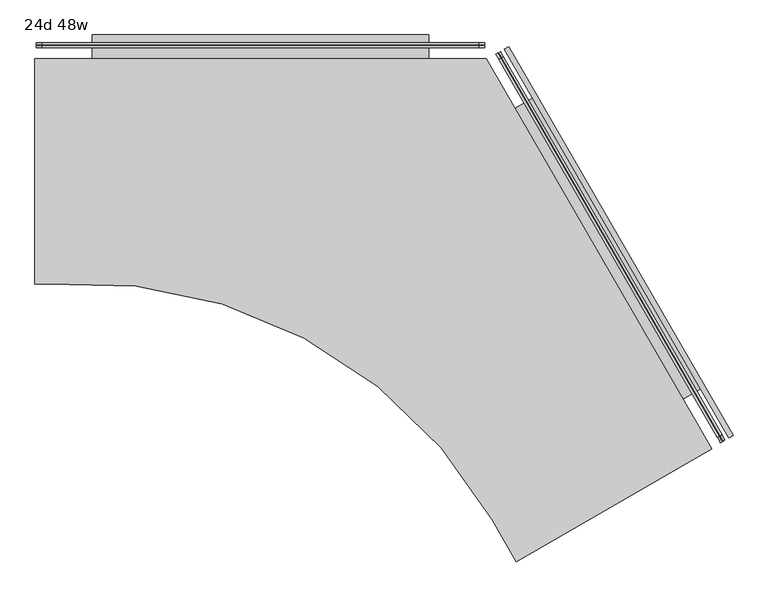
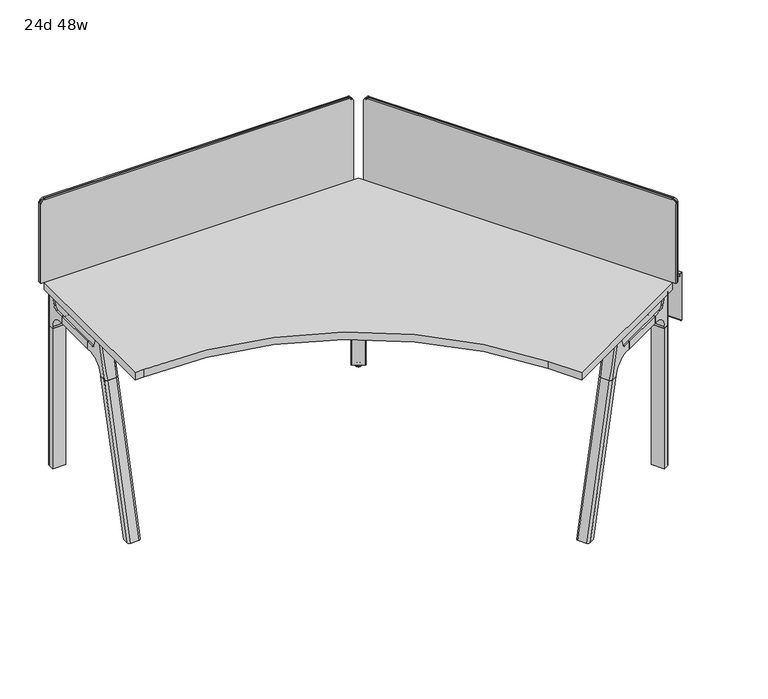
"""IFC4 building model written with IfcOpenShell, lengths in millimetres: furniture geometry, 24d 48w."""

from ifc_helpers import new_model, si_unit, point, frame, frame_2d, origin, place, context, project, spatial, polyline, circle_curve, ellipse_curve, trimmed, segment, composite_curve, outline, extrude, source, transform, mapped, element, save
from ifc_brep_helpers import plane_surface, cylinder_surface, revolved_surface, advanced_brep


def furniture_24d_48w_f4648a2b(model_context):
    return source(origin(), model_context, "Body", "SolidModel", [
        extrude(outline(composite_curve([segment(polyline([(4524.070945, -1483.2285725), (3996.1418588, -1788.0285725), (3930.9307656, -1675.0796459)]), True, "CONTINUOUS"), segment(trimmed(circle_curve(frame_2d((2820.0799802, -2316.4296459)), 1282.7), [point((3930.9307656, -1675.0796459))], [point((2728.9573776, -1036.9704002))], True, "CARTESIAN"), True, "CONTINUOUS"), segment(polyline([(2728.9573776, -1036.9704002), (2695.270945, -1036.9704002), (2695.270945, -427.3704002), (3914.470945, -427.3704002), (4524.070945, -1483.2285725)]), True, "CONTINUOUS")], self_intersect=False)), frame((0.0, 0.0, 711.2), z_axis=(0.0, 0.0, 1.0), x_axis=(1.0, 0.0, 0.0)), (0.0, 0.0, 1.0), 30.1625),
        advanced_brep(
        [(3900.1963967, -460.0945908, 35.0000007), (3893.2682387, -456.0946169, 35.0000007), (3896.7323177, -458.0946039, 35.0000007), (3900.1963967, -460.0945908, 5.0000003), (3893.2682387, -456.0946169, 5.0000003), (3905.5711745, -463.1977202, 5.0000003), (3887.893461, -452.9914875, 5.0000003), (3906.2585821, -463.5945952, 4.2062503), (3887.2060533, -452.5946125, 4.2062503), (3906.2585821, -463.5945952, 0.79375), (3887.2060533, -452.5946125, 0.79375), (3905.5711745, -463.1977202, 0.0), (3887.893461, -452.9914875, 0.0), (3896.7323177, -458.0946039, 0.0)],
        [
            (0, 1, circle_curve(frame((3896.7323177, -458.0946039, 35.0000007), z_axis=(0.0, 0.0, 1.0), x_axis=(-0.8660254037844346, 0.5000000000000068, 0.0)), 3.9999739)),
            (1, 2),
            (2, 0),
            (1, 0, circle_curve(frame((3896.7323177, -458.0946039, 35.0000007), z_axis=(0.0, 0.0, 1.0), x_axis=(-0.8660254037844346, 0.5000000000000068, 0.0)), 3.9999739)),
            (3, 4, circle_curve(frame((3896.7323177, -458.0946039, 5.0000003), z_axis=(0.0, 0.0, 1.0), x_axis=(-0.8660254037844346, 0.5000000000000068, 0.0)), 3.9999739)),
            (4, 1),
            (0, 3),
            (4, 3, circle_curve(frame((3896.7323177, -458.0946039, 5.0000003), z_axis=(0.0, 0.0, 1.0), x_axis=(-0.8660254037844346, 0.5000000000000068, 0.0)), 3.9999739)),
            (5, 6, circle_curve(frame((3896.7323177, -458.0946039, 5.0000003), z_axis=(0.0, 0.0, 1.0), x_axis=(-0.8660254037844346, 0.5000000000000068, 0.0)), 10.2062326)),
            (6, 4),
            (3, 5),
            (6, 5, circle_curve(frame((3896.7323177, -458.0946039, 5.0000003), z_axis=(0.0, 0.0, 1.0), x_axis=(-0.8660254037844346, 0.5000000000000068, 0.0)), 10.2062326)),
            (7, 8, circle_curve(frame((3896.7323177, -458.0946039, 4.2062503), z_axis=(0.0, 0.0, 1.0), x_axis=(-0.8660254037844346, 0.5000000000000068, 0.0)), 10.9999826)),
            (8, 6, circle_curve(frame((3887.893461, -452.9914875, 4.2062503), z_axis=(0.5000000000000068, 0.8660254037844346, 0.0), x_axis=(0.0, 0.0, -1.0)), 0.79375)),
            (5, 7, circle_curve(frame((3905.5711745, -463.1977202, 4.2062503), z_axis=(0.500000000000004, 0.8660254037844363, 0.0), x_axis=(0.0, 0.0, -1.0)), 0.79375)),
            (8, 7, circle_curve(frame((3896.7323177, -458.0946039, 4.2062503), z_axis=(0.0, 0.0, 1.0), x_axis=(-0.8660254037844346, 0.5000000000000068, 0.0)), 10.9999826)),
            (9, 10, circle_curve(frame((3896.7323177, -458.0946039, 0.79375), z_axis=(0.0, 0.0, 1.0), x_axis=(-0.8660254037844346, 0.5000000000000068, 0.0)), 10.9999826)),
            (10, 8),
            (7, 9),
            (10, 9, circle_curve(frame((3896.7323177, -458.0946039, 0.79375), z_axis=(0.0, 0.0, 1.0), x_axis=(-0.8660254037844346, 0.5000000000000068, 0.0)), 10.9999826)),
            (11, 12, circle_curve(frame((3896.7323177, -458.0946039, 0.0), z_axis=(0.0, 0.0, 1.0), x_axis=(-0.8660254037844346, 0.5000000000000068, 0.0)), 10.2062326)),
            (12, 10, circle_curve(frame((3887.893461, -452.9914875, 0.79375), z_axis=(0.5000000000000068, 0.8660254037844346, 0.0), x_axis=(0.0, 0.0, -1.0)), 0.79375)),
            (9, 11, circle_curve(frame((3905.5711745, -463.1977202, 0.79375), z_axis=(0.500000000000004, 0.8660254037844363, 0.0), x_axis=(0.0, 0.0, -1.0)), 0.79375)),
            (12, 11, circle_curve(frame((3896.7323177, -458.0946039, 0.0), z_axis=(0.0, 0.0, 1.0), x_axis=(-0.8660254037844346, 0.5000000000000068, 0.0)), 10.2062326)),
            (13, 12),
            (11, 13),
        ],
        [
            plane_surface(frame((3896.7323177, -458.0946039, 35.0000007), z_axis=(0.0, 0.0, 1.0), x_axis=(-0.8660254037844347, 0.5000000000000069, 0.0))),
            cylinder_surface(frame((3896.7323177, -458.0946039, 52.3860264), z_axis=(0.0, 0.0, -1.0), x_axis=(-0.8660254037844346, 0.5000000000000068, 0.0)), 3.9999739),
            plane_surface(frame((3896.7323177, -458.0946039, 5.0000003), z_axis=(0.0, 0.0, 1.0), x_axis=(-0.8660254037844347, 0.5000000000000069, 0.0))),
            revolved_surface(trimmed(ellipse_curve(frame((3887.893461, -452.9914875, 4.2062503), z_axis=(-0.5000000000000068, -0.8660254037844346, 0.0), x_axis=(0.0, 0.0, -1.0)), 0.79375, 0.79375), [point((3887.893461, -452.9914875, 5.0000003))], [point((3887.2060533, -452.5946125, 4.2062503))], True, "CARTESIAN"), (3896.7323177, -458.0946039, 52.3860264), (0.0, 0.0, -1.0)),
            cylinder_surface(frame((3896.7323177, -458.0946039, 52.3860264), z_axis=(0.0, 0.0, -1.0), x_axis=(-0.8660254037844346, 0.5000000000000068, 0.0)), 10.9999826),
            revolved_surface(trimmed(ellipse_curve(frame((3887.893461, -452.9914875, 0.79375), z_axis=(-0.5000000000000068, -0.8660254037844346, 0.0), x_axis=(0.0, 0.0, -1.0)), 0.79375, 0.79375), [point((3887.2060533, -452.5946125, 0.79375))], [point((3887.893461, -452.9914875, 0.0))], True, "CARTESIAN"), (3896.7323177, -458.0946039, 52.3860264), (0.0, 0.0, -1.0)),
            plane_surface(frame((3896.7323177, -458.0946039, 0.0), z_axis=(0.0, 0.0, -1.0), x_axis=(-0.8660254037844347, 0.5000000000000069, 0.0))),
        ],
        [
            (0, [[1, 2, 3]]),
            (0, [[4, -3, -2]]),
            (1, [[5, 6, -1, 7]]),
            (1, [[8, -7, -4, -6]]),
            (2, [[9, 10, -5, 11]]),
            (2, [[12, -11, -8, -10]]),
            (3, [[13, 14, -9, 15]]),
            (3, [[16, -15, -12, -14]]),
            (4, [[17, 18, -13, 19]]),
            (4, [[20, -19, -16, -18]]),
            (5, [[21, 22, -17, 23]]),
            (5, [[24, -23, -20, -22]]),
            (6, [[25, -21, 26]]),
            (6, [[-26, -24, -25]]),
        ],
    ),
        extrude(outline(composite_curve([segment(trimmed(circle_curve(frame_2d((3910.3539816, -481.5552641)), 1.4920026), [point((3911.6460938, -482.3012654))], [point((3909.6079803, -482.8473763))], False, "CARTESIAN"), True, "CONTINUOUS"), segment(polyline([(3909.6079803, -482.8473763), (3868.8579567, -459.3203392)]), True, "CONTINUOUS"), segment(trimmed(circle_curve(frame_2d((3869.603958, -458.028227)), 1.4920026), [point((3868.8579567, -459.3203392))], [point((3868.3118459, -457.2822257))], False, "CARTESIAN"), True, "CONTINUOUS"), segment(polyline([(3868.3118459, -457.2822257), (3877.7172574, -440.9915751)]), True, "CONTINUOUS"), segment(trimmed(circle_curve(frame_2d((3886.3098532, -445.9525126)), 9.921875), [point((3877.7172574, -440.9915751))], [point((3891.2707907, -437.3599168))], False, "CARTESIAN"), True, "CONTINUOUS"), segment(polyline([(3891.2707907, -437.3599168), (3917.419847, -452.4570815)]), True, "CONTINUOUS"), segment(trimmed(circle_curve(frame_2d((3912.4589095, -461.0496773)), 9.921875), [point((3917.419847, -452.4570815))], [point((3921.0515053, -466.0106148))], False, "CARTESIAN"), True, "CONTINUOUS"), segment(polyline([(3921.0515053, -466.0106148), (3911.6460938, -482.3012654)]), True, "CONTINUOUS")], self_intersect=False)), frame((0.0, 0.0, 10.7173168), z_axis=(0.0, 0.0, 1.0), x_axis=(1.0, 0.0, 0.0)), (0.0, 0.0, 1.0), 700.4826832),
        extrude(outline(composite_curve([segment(trimmed(circle_curve(frame_2d((0.0, -15.875)), 15.875), [point((0.0, -31.75))], [point((-15.875, -15.875))], False, "CARTESIAN"), True, "CONTINUOUS"), segment(polyline([(-15.875, -15.875), (-15.875, 302.41875), (1190.625, 302.41875), (1190.625, -15.875)]), True, "CONTINUOUS"), segment(trimmed(circle_curve(frame_2d((1174.75, -15.875)), 15.875), [point((1190.625, -15.875))], [point((1174.75, -31.75))], False, "CARTESIAN"), True, "CONTINUOUS"), segment(polyline([(1174.75, -31.75), (0.0, -31.75)]), True, "CONTINUOUS")], self_intersect=False)), frame((3955.1419745, -429.5521898, 1023.14375), z_axis=(0.8660254037844421, 0.4999999999999942, 0.0), x_axis=(0.4999999999999941, -0.8660254037844419, 0.0)), (0.0, 0.0, 1.0), 3.175),
        extrude(outline(composite_curve([segment(trimmed(circle_curve(frame_2d((0.0, -15.875)), 15.875), [point((15.875, -15.875))], [point((0.0, -31.7499999))], False, "CARTESIAN"), True, "CONTINUOUS"), segment(polyline([(0.0, -31.7499999), (-324.64375, -31.7499999), (-324.64375, 1181.1), (0.0, 1181.1)]), True, "CONTINUOUS"), segment(trimmed(circle_curve(frame_2d((0.0, 1165.2250001)), 15.875), [point((0.0, 1181.1))], [point((15.875, 1165.2250001))], False, "CARTESIAN"), True, "CONTINUOUS"), segment(polyline([(15.875, 1165.2250001), (15.875, -15.875)]), True, "CONTINUOUS")], self_intersect=False)), frame((3956.6801209, -443.3288374, 1042.19375), z_axis=(0.8660254037844438, 0.49999999999999145, 0.0), x_axis=(0.0, 0.0, 1.0)), (0.0, 0.0, 1.0), 5.55625),
        extrude(outline(composite_curve([segment(trimmed(circle_curve(frame_2d((0.0, -15.875)), 15.875), [point((0.0, -31.75))], [point((-15.8749999, -15.875))], False, "CARTESIAN"), True, "CONTINUOUS"), segment(polyline([(-15.8749999, -15.875), (-15.8749999, 308.76875), (1196.975, 308.76875), (1196.975, -15.875)]), True, "CONTINUOUS"), segment(trimmed(circle_curve(frame_2d((1181.1000001, -15.875)), 15.875), [point((1196.975, -15.875))], [point((1181.1000001, -31.75))], False, "CARTESIAN"), True, "CONTINUOUS"), segment(polyline([(1181.1000001, -31.75), (0.0, -31.75)]), True, "CONTINUOUS")], self_intersect=False)), frame((3956.3041052, -425.2150591, 1026.31875), z_axis=(0.8660254037844421, 0.4999999999999942, 0.0), x_axis=(0.4999999999999941, -0.8660254037844419, 0.0)), (0.0, 0.0, 1.0), 5.55625),
        extrude(outline(composite_curve([segment(polyline([(1054.89375, 3892.245945), (1054.89375, 2717.495945)]), True, "CONTINUOUS"), segment(trimmed(circle_curve(frame_2d((1039.01875, 2717.495945)), 15.875), [point((1054.89375, 2717.495945))], [point((1039.01875, 2701.620945))], False, "CARTESIAN"), True, "CONTINUOUS"), segment(polyline([(1039.01875, 2701.620945), (720.725, 2701.620945), (720.725, 3908.120945), (1039.01875, 3908.120945)]), True, "CONTINUOUS"), segment(trimmed(circle_curve(frame_2d((1039.01875, 3892.245945)), 15.875), [point((1039.01875, 3908.120945))], [point((1054.89375, 3892.245945))], False, "CARTESIAN"), True, "CONTINUOUS")], self_intersect=False)), frame((0.0, -393.2391502, 0.0), z_axis=(0.0, 1.0, 0.0), x_axis=(0.0, 0.0, 1.0)), (0.0, 0.0, 1.0), 3.175),
        extrude(outline(composite_curve([segment(polyline([(1058.06875, 3895.420945), (1058.06875, 2714.320945)]), True, "CONTINUOUS"), segment(trimmed(circle_curve(frame_2d((1042.19375, 2714.320945)), 15.875), [point((1058.06875, 2714.320945))], [point((1042.19375, 2698.445945))], False, "CARTESIAN"), True, "CONTINUOUS"), segment(polyline([(1042.19375, 2698.445945), (717.55, 2698.445945), (717.55, 3911.295945), (1042.19375, 3911.295945)]), True, "CONTINUOUS"), segment(trimmed(circle_curve(frame_2d((1042.19375, 3895.420945)), 15.875), [point((1042.19375, 3911.295945))], [point((1058.06875, 3895.420945))], False, "CARTESIAN"), True, "CONTINUOUS")], self_intersect=False)), frame((0.0, -390.0641502, 0.0), z_axis=(0.0, 1.0, 0.0), x_axis=(0.0, 0.0, 1.0)), (0.0, 0.0, 1.0), 5.55625),
        extrude(outline(composite_curve([segment(polyline([(1058.06875, 3895.420945), (1058.06875, 2714.320945)]), True, "CONTINUOUS"), segment(trimmed(circle_curve(frame_2d((1042.19375, 2714.320945)), 15.875), [point((1058.06875, 2714.320945))], [point((1042.19375, 2698.445945))], False, "CARTESIAN"), True, "CONTINUOUS"), segment(polyline([(1042.19375, 2698.445945), (717.55, 2698.445945), (717.55, 3911.295945), (1042.19375, 3911.295945)]), True, "CONTINUOUS"), segment(trimmed(circle_curve(frame_2d((1042.19375, 3895.420945)), 15.875), [point((1042.19375, 3911.295945))], [point((1058.06875, 3895.420945))], False, "CARTESIAN"), True, "CONTINUOUS")], self_intersect=False)), frame((0.0, -398.7954002, 0.0), z_axis=(0.0, 1.0, 0.0), x_axis=(0.0, 0.0, 1.0)), (0.0, 0.0, 1.0), 5.55625),
        advanced_brep(
        [(4481.75383, -1500.3280218, 711.2), (4473.9092846, -1504.8570722, 677.3947076), (4460.6295883, -1512.5241085, 665.6284599), (4429.4707256, -1530.5136862, 665.6284599), (4429.4707256, -1530.5136862, 635.6476591), (4439.0944329, -1524.9574362, 635.6476591), (4483.0885234, -1499.5574362, 584.8476591), (4483.0885234, -1499.5574362, 576.659375), (4502.335938, -1488.4449362, 576.659375), (4502.335938, -1488.4449362, 711.2), (4457.6885234, -1455.5633457, 576.659375), (4457.6885234, -1455.5633457, 584.8476591), (4413.6944329, -1480.9633457, 635.6476591), (4404.0707256, -1486.5195957, 635.6476591), (4404.0707256, -1486.5195957, 665.6284599), (4435.2295883, -1468.5300179, 665.6284599), (4448.5092846, -1460.8629817, 677.3947076), (4456.35383, -1456.3339313, 711.2), (4476.935938, -1444.4508457, 711.2), (4476.935938, -1444.4508457, 576.659375), (4505.82233, -1475.4335442, 711.2), (4489.94733, -1447.9372376, 711.2), (4489.94733, -1447.9372376, 576.659375), (4505.82233, -1475.4335442, 576.659375)],
        [
            (0, 1),
            (1, 2, circle_curve(frame((4460.6295883, -1512.5241085, 681.5034599), z_axis=(-0.49999999999999706, 0.8660254037844405, 0.0), x_axis=(0.8660254037844407, 0.49999999999999717, 0.0)), 15.875)),
            (2, 3),
            (3, 4),
            (4, 5),
            (5, 6, circle_curve(frame((4439.0944329, -1524.9574362, 584.8476591), z_axis=(-0.49999999999999706, 0.8660254037844405, 0.0), x_axis=(0.8660254037844407, 0.49999999999999717, 0.0)), 50.8)),
            (6, 7),
            (7, 8),
            (8, 9),
            (9, 0),
            (10, 11),
            (11, 12, circle_curve(frame((4413.6944329, -1480.9633457, 584.8476591), z_axis=(0.49999999999999706, -0.8660254037844405, 0.0), x_axis=(0.8660254037844407, 0.49999999999999717, 0.0)), 50.8)),
            (12, 13),
            (13, 14),
            (14, 15),
            (15, 16, circle_curve(frame((4435.2295883, -1468.5300179, 681.5034599), z_axis=(0.49999999999999706, -0.8660254037844405, 0.0), x_axis=(0.8660254037844407, 0.49999999999999717, 0.0)), 15.875)),
            (16, 17),
            (17, 18),
            (18, 19),
            (19, 10),
            (17, 0),
            (9, 20, circle_curve(frame((4497.573438, -1480.1960442, 711.2), z_axis=(0.0, 0.0, 1.0), x_axis=(-0.49999999999999856, 0.8660254037844399, 0.0)), 9.525)),
            (20, 21),
            (21, 18, circle_curve(frame((4481.698438, -1452.6997376, 711.2), z_axis=(0.0, 0.0, 1.0), x_axis=(-0.49999999999999856, 0.8660254037844399, 0.0)), 9.525)),
            (16, 1),
            (15, 2),
            (14, 3),
            (13, 4),
            (12, 5),
            (7, 10),
            (19, 22, circle_curve(frame((4481.698438, -1452.6997376, 576.659375), z_axis=(0.0, 0.0, -1.0), x_axis=(-0.49999999999999856, 0.8660254037844399, 0.0)), 9.525)),
            (22, 23),
            (23, 8, circle_curve(frame((4497.573438, -1480.1960442, 576.659375), z_axis=(0.0, 0.0, -1.0), x_axis=(-0.49999999999999856, 0.8660254037844399, 0.0)), 9.525)),
            (11, 6),
            (23, 20),
            (21, 22),
        ],
        [
            plane_surface(frame((4516.5833805, -1480.2191714, 711.2), z_axis=(0.49999999999999706, -0.8660254037844405, 0.0), x_axis=(-0.8660254037844405, -0.49999999999999706, 0.0))),
            plane_surface(frame((4491.1833805, -1436.2250809, 711.2), z_axis=(-0.49999999999999706, 0.8660254037844405, 0.0), x_axis=(0.8660254037844405, 0.49999999999999706, 0.0))),
            plane_surface(frame((4516.5833805, -1480.2191714, 711.2), z_axis=(0.0, 0.0, 1.0000000000000002), x_axis=(-0.4999999999999973, 0.8660254037844404, 0.0))),
            plane_surface(frame((4481.75383, -1500.3280218, 711.2), z_axis=(-0.8365163037378096, -0.48296291314453155, 0.25881904510252085), x_axis=(-0.4999999999999973, 0.8660254037844404, 0.0))),
            revolved_surface(polyline([(4448.977741585078, -1460.5925179, 681.5034599), (4474.377741623075, -1504.5866084780628, 681.5034599)]), (4435.2295883, -1468.5300179, 681.5034599), (-0.49999999999999717, 0.8660254037844407, 0.0)),
            plane_surface(frame((4460.6295883, -1512.5241085, 665.6284599), z_axis=(0.0, 0.0, 1.0000000000000002), x_axis=(-0.4999999999999973, 0.8660254037844404, 0.0))),
            plane_surface(frame((4429.4707256, -1530.5136862, 665.6284599), z_axis=(-0.8660254037844404, -0.4999999999999973, 0.0), x_axis=(-0.4999999999999973, 0.8660254037844404, 0.0))),
            plane_surface(frame((4429.4707256, -1530.5136862, 635.6476591), z_axis=(0.0, 0.0, -1.0000000000000002), x_axis=(-0.4999999999999973, 0.8660254037844404, 0.0))),
            plane_surface(frame((4483.0885234, -1499.5574362, 576.659375), z_axis=(0.0, 0.0, -1.0000000000000002), x_axis=(-0.4999999999999973, 0.8660254037844404, 0.0))),
            revolved_surface(polyline([(4457.688523409187, -1455.563345694696, 584.8476591), (4483.088523406945, -1499.557436203063, 584.8476591)]), (4413.6944329, -1480.9633457, 584.8476591), (-0.49999999999999717, 0.8660254037844407, 0.0)),
            plane_surface(frame((4483.0885234, -1499.5574362, 584.8476591), z_axis=(-0.8660254037844404, -0.4999999999999973, 0.0), x_axis=(-0.4999999999999973, 0.8660254037844404, 0.0))),
            cylinder_surface(frame((4497.573438, -1480.1960442, 524.9807374), z_axis=(0.0, 0.0, -1.0), x_axis=(-0.49999999999999856, 0.8660254037844399, 0.0)), 9.525),
            cylinder_surface(frame((4481.698438, -1452.6997376, 524.9807374), z_axis=(0.0, 0.0, -1.0), x_axis=(-0.49999999999999856, 0.8660254037844399, 0.0)), 9.525),
            plane_surface(frame((4489.94733, -1447.9372376, 711.2), z_axis=(0.8660254037844396, 0.49999999999999833, 0.0), x_axis=(0.0, 0.0, -1.0))),
        ],
        [
            (0, [[1, 2, 3, 4, 5, 6, 7, 8, 9, 10]]),
            (1, [[11, 12, 13, 14, 15, 16, 17, 18, 19, 20]]),
            (2, [[21, -10, 22, 23, 24, -18]]),
            (3, [[-1, -21, -17, 25]]),
            (4, [[-2, -25, -16, 26]]),
            (5, [[-3, -26, -15, 27]]),
            (6, [[-4, -27, -14, 28]]),
            (7, [[-5, -28, -13, 29]]),
            (8, [[30, -20, 31, 32, 33, -8]]),
            (9, [[-6, -29, -12, 34]]),
            (10, [[-7, -34, -11, -30]]),
            (11, [[35, -22, -9, -33]]),
            (12, [[36, -31, -19, -24]]),
            (13, [[-35, -32, -36, -23]]),
        ],
    ),
        advanced_brep(
        [(4457.6885234, -1455.5633457, 576.659375), (4483.0885234, -1499.5574362, 576.659375), (4502.335938, -1488.4449362, 576.659375), (4505.82233, -1475.4335442, 576.659375), (4489.94733, -1447.9372376, 576.659375), (4476.935938, -1444.4508457, 576.659375), (4457.6885234, -1455.5633457, 0.0), (4476.935938, -1444.4508457, 0.0), (4489.94733, -1447.9372376, 0.0), (4505.82233, -1475.4335442, 0.0), (4502.335938, -1488.4449362, 0.0), (4483.0885234, -1499.5574362, 0.0), (4502.335938, -1488.4449362, 524.9807374), (4505.82233, -1475.4335442, 524.9807374), (4489.94733, -1447.9372376, 524.9807374), (4476.935938, -1444.4508457, 524.9807374)],
        [
            (0, 1),
            (1, 2),
            (2, 3, circle_curve(frame((4497.573438, -1480.1960442, 576.659375), z_axis=(0.0, 0.0, 1.0), x_axis=(-0.49999999999999856, 0.8660254037844399, 0.0)), 9.525)),
            (3, 4),
            (4, 5, circle_curve(frame((4481.698438, -1452.6997376, 576.659375), z_axis=(0.0, 0.0, 1.0), x_axis=(-0.49999999999999856, 0.8660254037844399, 0.0)), 9.525)),
            (5, 0),
            (6, 7),
            (7, 8, circle_curve(frame((4481.698438, -1452.6997376, 0.0), z_axis=(0.0, 0.0, -1.0), x_axis=(-0.49999999999999856, 0.8660254037844399, 0.0)), 9.525)),
            (8, 9),
            (9, 10, circle_curve(frame((4497.573438, -1480.1960442, 0.0), z_axis=(0.0, 0.0, -1.0), x_axis=(-0.49999999999999856, 0.8660254037844399, 0.0)), 9.525)),
            (10, 11),
            (11, 6),
            (0, 6),
            (11, 1),
            (10, 12),
            (12, 2),
            (9, 13),
            (13, 3),
            (8, 14),
            (14, 4),
            (7, 15),
            (15, 5),
        ],
        [
            plane_surface(frame((4486.6866686, -1505.7896064, 576.659375), z_axis=(0.0, 0.0, 1.0), x_axis=(0.49999999999999833, -0.8660254037844396, 0.0))),
            plane_surface(frame((4486.6866686, -1505.7896064, 0.0), z_axis=(0.0, 0.0, -1.0), x_axis=(-0.49999999999999833, 0.8660254037844396, 0.0))),
            plane_surface(frame((4457.6885234, -1455.5633457, 576.659375), z_axis=(-0.8660254037844396, -0.49999999999999833, 0.0), x_axis=(0.0, 0.0, -1.0))),
            plane_surface(frame((4483.0885234, -1499.5574362, 576.659375), z_axis=(0.49999999999999833, -0.8660254037844396, 0.0), x_axis=(0.0, 0.0, -1.0))),
            cylinder_surface(frame((4497.573438, -1480.1960442, 0.0), z_axis=(0.0, 0.0, 1.0), x_axis=(-0.49999999999999856, 0.8660254037844399, 0.0)), 9.525),
            plane_surface(frame((4505.82233, -1475.4335442, 576.659375), z_axis=(0.8660254037844396, 0.49999999999999833, 0.0), x_axis=(0.0, 0.0, -1.0))),
            cylinder_surface(frame((4481.698438, -1452.6997376, 0.0), z_axis=(0.0, 0.0, 1.0), x_axis=(-0.49999999999999856, 0.8660254037844399, 0.0)), 9.525),
            plane_surface(frame((4476.935938, -1444.4508457, 576.659375), z_axis=(-0.49999999999999833, 0.8660254037844396, 0.0), x_axis=(0.0, 0.0, -1.0))),
        ],
        [
            (0, [[1, 2, 3, 4, 5, 6]]),
            (1, [[7, 8, 9, 10, 11, 12]]),
            (2, [[-1, 13, -12, 14]]),
            (3, [[-2, -14, -11, 15, 16]]),
            (4, [[-3, -16, -15, -10, 17, 18]]),
            (5, [[-4, -18, -17, -9, 19, 20]]),
            (6, [[-5, -20, -19, -8, 21, 22]]),
            (7, [[-6, -22, -21, -7, -13]]),
        ],
    ),
        advanced_brep(
        [(4232.1446041, -1644.4399756, 711.2), (4213.5540296, -1655.1732488, 711.2), (4182.8546037, -1672.8975706, 576.6820411), (4201.1311777, -1662.3455856, 576.6820411), (4203.3466545, -1661.0664795, 586.2294189), (4259.121379, -1628.8649273, 635.6476591), (4278.9284472, -1617.4293112, 635.6476591), (4278.9284472, -1617.4293112, 665.6284599), (4253.2688458, -1632.2438889, 665.6284599), (4239.9891495, -1639.9109252, 677.3947076), (4175.7311777, -1618.3514951, 576.6820411), (4157.4546037, -1628.9034801, 576.6820411), (4188.1540296, -1611.1791582, 711.2), (4206.7446041, -1600.445885, 711.2), (4214.5891495, -1595.9168346, 677.3947076), (4227.8688458, -1588.2497984, 665.6284599), (4253.5284472, -1573.4352207, 665.6284599), (4253.5284472, -1573.4352207, 635.6476591), (4233.721379, -1584.8708368, 635.6476591), (4177.9466545, -1617.072389, 586.2294189), (4183.2710072, -1621.2312044, 711.2), (4202.4071911, -1654.3760471, 711.2), (4169.5615982, -1669.5737683, 576.6820411), (4153.6865982, -1642.0774617, 576.6820411)],
        [
            (0, 1),
            (1, 2),
            (2, 3),
            (3, 4),
            (4, 5, circle_curve(frame((4259.121379, -1628.8649273, 568.9726591), z_axis=(-0.49999999999999695, 0.8660254037844405, 0.0), x_axis=(-0.8660254037844407, -0.49999999999999706, 0.0)), 66.675)),
            (5, 6),
            (6, 7),
            (7, 8),
            (8, 9, circle_curve(frame((4253.2688458, -1632.2438889, 681.5034599), z_axis=(-0.49999999999999695, 0.8660254037844405, 0.0), x_axis=(-0.8660254037844407, -0.49999999999999706, 0.0)), 15.875)),
            (9, 0),
            (10, 11),
            (11, 12),
            (12, 13),
            (13, 14),
            (14, 15, circle_curve(frame((4227.8688458, -1588.2497984, 681.5034599), z_axis=(0.49999999999999695, -0.8660254037844405, 0.0), x_axis=(-0.8660254037844407, -0.49999999999999706, 0.0)), 15.875)),
            (15, 16),
            (16, 17),
            (17, 18),
            (18, 19, circle_curve(frame((4233.721379, -1584.8708368, 568.9726591), z_axis=(0.49999999999999695, -0.8660254037844405, 0.0), x_axis=(-0.8660254037844407, -0.49999999999999706, 0.0)), 66.675)),
            (19, 10),
            (12, 20, ellipse_curve(frame((4192.9165296, -1619.4280502, 711.2), z_axis=(0.0, 0.0, 1.0), x_axis=(-0.8660254037844412, -0.4999999999999954, 0.0)), 9.8501793, 9.525)),
            (20, 21),
            (21, 1, ellipse_curve(frame((4208.7915296, -1646.9243568, 711.2), z_axis=(0.0, 0.0, 1.0), x_axis=(-0.8660254037844412, -0.4999999999999954, 0.0)), 9.8501793, 9.525)),
            (0, 13),
            (9, 14),
            (8, 15),
            (7, 16),
            (6, 17),
            (5, 18),
            (4, 19),
            (3, 10),
            (2, 22, ellipse_curve(frame((4178.0921037, -1664.6486786, 576.6820411), z_axis=(0.0, 0.0, -1.0), x_axis=(-0.8660254037844412, -0.4999999999999954, 0.0)), 9.8501793, 9.525)),
            (22, 23),
            (23, 11, ellipse_curve(frame((4162.2171037, -1637.152372, 576.6820411), z_axis=(0.0, 0.0, -1.0), x_axis=(-0.8660254037844412, -0.4999999999999954, 0.0)), 9.8501793, 9.525)),
            (20, 23, ellipse_curve(frame((4670.1579206, -1343.8926047, 2802.3641142), z_axis=(-0.8365163037378097, -0.48296291314453094, 0.25881904510252063), x_axis=(-0.22414386804201397, -0.12940952255125918, -0.9659258262890684)), 2304.1956354, 9.525)),
            (22, 21, ellipse_curve(frame((4686.0329206, -1371.3889112, 2802.3641142), z_axis=(-0.8365163037378097, -0.48296291314453094, 0.25881904510252063), x_axis=(-0.22414386804201397, -0.12940952255125918, -0.9659258262890684)), 2304.1956354, 9.525)),
        ],
        [
            plane_surface(frame((4205.5390991, -1659.800671, 711.2), z_axis=(0.49999999999999695, -0.8660254037844405, 0.0), x_axis=(0.8660254037844405, 0.49999999999999695, 0.0))),
            plane_surface(frame((4180.1390991, -1615.8065805, 711.2), z_axis=(-0.49999999999999695, 0.8660254037844405, 0.0), x_axis=(-0.8660254037844405, -0.49999999999999695, 0.0))),
            plane_surface(frame((4205.5390991, -1659.800671, 711.2), z_axis=(0.0, 0.0, 1.0), x_axis=(-0.4999999999999967, 0.8660254037844406, 0.0))),
            plane_surface(frame((4232.1446041, -1644.4399756, 711.2), z_axis=(0.8365163037378098, 0.482962913144531, 0.2588190451025208), x_axis=(-0.4999999999999967, 0.8660254037844406, 0.0))),
            revolved_surface(polyline([(4214.120692500389, -1596.1872983748287, 681.5034599), (4239.520692538386, -1640.1813889528917, 681.5034599)]), (4227.8688458, -1588.2497984, 681.5034599), (-0.49999999999999706, 0.8660254037844407, 0.0)),
            plane_surface(frame((4253.2688458, -1632.2438889, 665.6284599), z_axis=(0.0, 0.0, 1.0), x_axis=(-0.4999999999999967, 0.8660254037844406, 0.0))),
            plane_surface(frame((4278.9284472, -1617.4293112, 665.6284599), z_axis=(0.8660254037844406, 0.4999999999999967, 0.0), x_axis=(-0.4999999999999967, 0.8660254037844406, 0.0))),
            plane_surface(frame((4278.9284472, -1617.4293112, 635.6476591), z_axis=(0.0, 0.0, -1.0), x_axis=(-0.4999999999999967, 0.8660254037844406, 0.0))),
            revolved_surface(polyline([(4175.979135200918, -1618.2083367969608, 568.9726591), (4201.379135197368, -1662.2024273030627, 568.9726591)]), (4233.721379, -1584.8708368, 568.9726591), (-0.49999999999999706, 0.8660254037844407, 0.0)),
            plane_surface(frame((4203.3466545, -1661.0664795, 586.2294189), z_axis=(0.8365163037378107, 0.4829629131445315, -0.2588190451025171), x_axis=(-0.4999999999999967, 0.8660254037844406, 0.0))),
            plane_surface(frame((4201.1311777, -1662.3455856, 576.6820411), z_axis=(0.0, 0.0, -1.0), x_axis=(-0.4999999999999967, 0.8660254037844406, 0.0))),
            plane_surface(frame((4174.3240982, -1677.8226602, 576.6820411), z_axis=(-0.8365163037378099, -0.48296291314453105, 0.2588190451025207), x_axis=(-0.4999999999999967, 0.8660254037844406, 0.0))),
            cylinder_surface(frame((4045.9289239, -1740.953126, -2.4271979), z_axis=(-0.2206839923176003, -0.1274119623704063, -0.966987470125486), x_axis=(-0.49999999999999567, 0.8660254037844415, 0.0)), 9.525),
            cylinder_surface(frame((4030.0539239, -1713.4568194, -2.4271979), z_axis=(-0.2206839923176003, -0.1274119623704063, -0.966987470125486), x_axis=(-0.49999999999999567, 0.8660254037844415, 0.0)), 9.525),
        ],
        [
            (0, [[1, 2, 3, 4, 5, 6, 7, 8, 9, 10]]),
            (1, [[11, 12, 13, 14, 15, 16, 17, 18, 19, 20]]),
            (2, [[-13, 21, 22, 23, -1, 24]]),
            (3, [[25, -14, -24, -10]]),
            (4, [[26, -15, -25, -9]]),
            (5, [[27, -16, -26, -8]]),
            (6, [[28, -17, -27, -7]]),
            (7, [[29, -18, -28, -6]]),
            (8, [[30, -19, -29, -5]]),
            (9, [[31, -20, -30, -4]]),
            (10, [[-3, 32, 33, 34, -11, -31]]),
            (11, [[35, -33, 36, -22]]),
            (12, [[-23, -36, -32, -2]]),
            (13, [[-34, -35, -21, -12]]),
        ],
    ),
        advanced_brep(
        [(4201.1311777, -1662.3455856, 576.6820411), (4182.8546037, -1672.8975706, 576.6820411), (4051.2453543, -1748.8822061, 0.0), (4069.5219283, -1738.3302212, 0.0), (4044.1219283, -1694.3361307, 0.0), (4025.8453543, -1704.8881156, 0.0), (4157.4546037, -1628.9034801, 576.6820411), (4175.7311777, -1618.3514951, 576.6820411), (4153.6865982, -1642.0774617, 576.6820411), (4169.5615982, -1669.5737683, 576.6820411), (4037.9523487, -1745.5584038, 0.0), (4022.0773487, -1718.0620973, 0.0)],
        [
            (0, 1),
            (1, 2),
            (2, 3),
            (3, 0),
            (4, 5),
            (5, 6),
            (6, 7),
            (7, 4),
            (6, 8, ellipse_curve(frame((4162.2171037, -1637.152372, 576.6820411), z_axis=(0.0, 0.0, 1.0), x_axis=(-0.8660254037844412, -0.4999999999999954, 0.0)), 9.8501793, 9.525)),
            (8, 9),
            (9, 1, ellipse_curve(frame((4178.0921037, -1664.6486786, 576.6820411), z_axis=(0.0, 0.0, 1.0), x_axis=(-0.8660254037844412, -0.4999999999999954, 0.0)), 9.8501793, 9.525)),
            (0, 7),
            (3, 4),
            (2, 10, ellipse_curve(frame((4046.4828543, -1740.6333142, 0.0), z_axis=(0.0, 0.0, -1.0), x_axis=(-0.8660254037844413, -0.4999999999999955, 0.0)), 9.8501793, 9.525)),
            (10, 11),
            (11, 5, ellipse_curve(frame((4030.6078543, -1713.1370076, 0.0), z_axis=(0.0, 0.0, -1.0), x_axis=(-0.8660254037844413, -0.4999999999999955, 0.0)), 9.8501793, 9.525)),
            (8, 11),
            (10, 9),
        ],
        [
            plane_surface(frame((4174.3240982, -1677.8226602, 576.6820411), z_axis=(0.49999999999999695, -0.8660254037844405, 0.0), x_axis=(0.8660254037844405, 0.49999999999999695, 0.0))),
            plane_surface(frame((4148.9240982, -1633.8285697, 576.6820411), z_axis=(-0.49999999999999695, 0.8660254037844405, 0.0), x_axis=(-0.8660254037844405, -0.49999999999999695, 0.0))),
            plane_surface(frame((4174.3240982, -1677.8226602, 576.6820411), z_axis=(0.0, 0.0, 1.0), x_axis=(-0.4999999999999967, 0.8660254037844406, 0.0))),
            plane_surface(frame((4201.1311777, -1662.3455856, 576.6820411), z_axis=(0.8374357142699173, 0.483493735062739, -0.25482392474082083), x_axis=(-0.4999999999999967, 0.8660254037844406, 0.0))),
            plane_surface(frame((4069.5219283, -1738.3302212, 0.0), z_axis=(0.0, 0.0, -1.0), x_axis=(-0.4999999999999967, 0.8660254037844406, 0.0))),
            plane_surface(frame((4042.7148487, -1753.8072958, 0.0), z_axis=(-0.8374357142699183, -0.48349373506273957, 0.2548239247408167), x_axis=(-0.4999999999999967, 0.8660254037844406, 0.0))),
            cylinder_surface(frame((4045.9289239, -1740.953126, -2.4271979), z_axis=(-0.2206839923176003, -0.1274119623704063, -0.966987470125486), x_axis=(-0.49999999999999567, 0.8660254037844415, 0.0)), 9.525),
            cylinder_surface(frame((4030.0539239, -1713.4568194, -2.4271979), z_axis=(-0.2206839923176003, -0.1274119623704063, -0.966987470125486), x_axis=(-0.49999999999999567, 0.8660254037844415, 0.0)), 9.525),
        ],
        [
            (0, [[1, 2, 3, 4]]),
            (1, [[5, 6, 7, 8]]),
            (2, [[-7, 9, 10, 11, -1, 12]]),
            (3, [[13, -8, -12, -4]]),
            (4, [[-3, 14, 15, 16, -5, -13]]),
            (5, [[17, -15, 18, -10]]),
            (6, [[-11, -18, -14, -2]]),
            (7, [[-16, -17, -9, -6]]),
        ],
    ),
        advanced_brep(
        [(2752.420945, -472.5678215, 711.2), (2752.420945, -481.6259223, 677.3947076), (2752.420945, -496.9599947, 665.6284599), (2752.420945, -532.9391502, 665.6284599), (2752.420945, -532.9391502, 635.6476591), (2752.420945, -521.8266502, 635.6476591), (2752.420945, -471.0266502, 584.8476591), (2752.420945, -471.0266502, 576.659375), (2752.420945, -448.8016502, 576.659375), (2752.420945, -448.8016502, 711.2), (2701.620945, -471.0266502, 576.659375), (2701.620945, -471.0266502, 584.8476591), (2701.620945, -521.8266502, 635.6476591), (2701.620945, -532.9391502, 635.6476591), (2701.620945, -532.9391502, 665.6284599), (2701.620945, -496.9599947, 665.6284599), (2701.620945, -481.6259223, 677.3947076), (2701.620945, -472.5678215, 711.2), (2701.620945, -448.8016502, 711.2), (2701.620945, -448.8016502, 576.659375), (2742.895945, -439.2766502, 711.2), (2711.145945, -439.2766502, 711.2), (2711.145945, -439.2766502, 576.659375), (2742.895945, -439.2766502, 576.659375)],
        [
            (0, 1),
            (1, 2, circle_curve(frame((2752.420945, -496.9599947, 681.5034599), z_axis=(-1.0, 0.0, 0.0), x_axis=(0.0, 1.0, 0.0)), 15.875)),
            (2, 3),
            (3, 4),
            (4, 5),
            (5, 6, circle_curve(frame((2752.420945, -521.8266502, 584.8476591), z_axis=(-1.0, 0.0, 0.0), x_axis=(0.0, 1.0, 0.0)), 50.8)),
            (6, 7),
            (7, 8),
            (8, 9),
            (9, 0),
            (10, 11),
            (11, 12, circle_curve(frame((2701.620945, -521.8266502, 584.8476591), z_axis=(1.0, 0.0, 0.0), x_axis=(0.0, 1.0, 0.0)), 50.8)),
            (12, 13),
            (13, 14),
            (14, 15),
            (15, 16, circle_curve(frame((2701.620945, -496.9599947, 681.5034599), z_axis=(1.0, 0.0, 0.0), x_axis=(0.0, 1.0, 0.0)), 15.875)),
            (16, 17),
            (17, 18),
            (18, 19),
            (19, 10),
            (17, 0),
            (9, 20, circle_curve(frame((2742.895945, -448.8016502, 711.2), z_axis=(0.0, 0.0, 1.0), x_axis=(-1.0, 0.0, 0.0)), 9.525)),
            (20, 21),
            (21, 18, circle_curve(frame((2711.145945, -448.8016502, 711.2), z_axis=(0.0, 0.0, 1.0), x_axis=(-1.0, 0.0, 0.0)), 9.525)),
            (16, 1),
            (15, 2),
            (14, 3),
            (13, 4),
            (12, 5),
            (7, 10),
            (19, 22, circle_curve(frame((2711.145945, -448.8016502, 576.659375), z_axis=(0.0, 0.0, -1.0), x_axis=(-1.0, 0.0, 0.0)), 9.525)),
            (22, 23),
            (23, 8, circle_curve(frame((2742.895945, -448.8016502, 576.659375), z_axis=(0.0, 0.0, -1.0), x_axis=(-1.0, 0.0, 0.0)), 9.525)),
            (11, 6),
            (23, 20),
            (21, 22),
        ],
        [
            plane_surface(frame((2752.420945, -432.3501207, 711.2), z_axis=(1.0, 0.0, 0.0), x_axis=(0.0, -1.0, 0.0))),
            plane_surface(frame((2701.620945, -432.3501207, 711.2), z_axis=(-1.0, 0.0, 0.0), x_axis=(0.0, 1.0, 0.0))),
            plane_surface(frame((2752.420945, -432.3501207, 711.2), z_axis=(0.0, 0.0, 1.0), x_axis=(-1.0, 0.0, 0.0))),
            plane_surface(frame((2752.420945, -472.5678215, 711.2), z_axis=(0.0, -0.9659258262890683, 0.2588190451025207), x_axis=(-1.0, 0.0, 0.0))),
            revolved_surface(polyline([(2701.620945, -481.0849947, 681.5034599), (2752.420945, -481.0849947, 681.5034599)]), (2701.620945, -496.9599947, 681.5034599), (-1.0, 0.0, 0.0)),
            plane_surface(frame((2752.420945, -496.9599947, 665.6284599), z_axis=(0.0, 0.0, 1.0), x_axis=(-1.0, 0.0, 0.0))),
            plane_surface(frame((2752.420945, -532.9391502, 665.6284599), z_axis=(0.0, -1.0, 0.0), x_axis=(-1.0, 0.0, 0.0))),
            plane_surface(frame((2752.420945, -532.9391502, 635.6476591), z_axis=(0.0, 0.0, -1.0), x_axis=(-1.0, 0.0, 0.0))),
            plane_surface(frame((2752.420945, -471.0266502, 576.659375), z_axis=(0.0, 0.0, -1.0), x_axis=(-1.0, 0.0, 0.0))),
            revolved_surface(polyline([(2701.620945, -471.0266502, 584.8476591), (2752.420945, -471.0266502, 584.8476591)]), (2701.620945, -521.8266502, 584.8476591), (-1.0, 0.0, 0.0)),
            plane_surface(frame((2752.420945, -471.0266502, 584.8476591), z_axis=(0.0, -1.0, 0.0), x_axis=(-1.0, 0.0, 0.0))),
            cylinder_surface(frame((2742.895945, -448.8016502, 524.9807374), z_axis=(0.0, 0.0, -1.0), x_axis=(-1.0, 0.0, 0.0)), 9.525),
            cylinder_surface(frame((2711.145945, -448.8016502, 524.9807374), z_axis=(0.0, 0.0, -1.0), x_axis=(-1.0, 0.0, 0.0)), 9.525),
            plane_surface(frame((2711.145945, -439.2766502, 711.2), z_axis=(0.0, 1.0, 0.0), x_axis=(0.0, 0.0, -1.0))),
        ],
        [
            (0, [[1, 2, 3, 4, 5, 6, 7, 8, 9, 10]]),
            (1, [[11, 12, 13, 14, 15, 16, 17, 18, 19, 20]]),
            (2, [[21, -10, 22, 23, 24, -18]]),
            (3, [[-1, -21, -17, 25]]),
            (4, [[-2, -25, -16, 26]]),
            (5, [[-3, -26, -15, 27]]),
            (6, [[-4, -27, -14, 28]]),
            (7, [[-5, -28, -13, 29]]),
            (8, [[30, -20, 31, 32, 33, -8]]),
            (9, [[-6, -29, -12, 34]]),
            (10, [[-7, -34, -11, -30]]),
            (11, [[35, -22, -9, -33]]),
            (12, [[36, -31, -19, -24]]),
            (13, [[-35, -32, -36, -23]]),
        ],
    ),
        advanced_brep(
        [(2701.620945, -471.0266502, 576.659375), (2752.420945, -471.0266502, 576.659375), (2752.420945, -448.8016502, 576.659375), (2742.895945, -439.2766502, 576.659375), (2711.145945, -439.2766502, 576.659375), (2701.620945, -448.8016502, 576.659375), (2701.620945, -471.0266502, 0.0), (2701.620945, -448.8016502, 0.0), (2711.145945, -439.2766502, 0.0), (2742.895945, -439.2766502, 0.0), (2752.420945, -448.8016502, 0.0), (2752.420945, -471.0266502, 0.0), (2752.420945, -448.8016502, 524.9807374), (2742.895945, -439.2766502, 524.9807374), (2711.145945, -439.2766502, 524.9807374), (2701.620945, -448.8016502, 524.9807374)],
        [
            (0, 1),
            (1, 2),
            (2, 3, circle_curve(frame((2742.895945, -448.8016502, 576.659375), z_axis=(0.0, 0.0, 1.0), x_axis=(-1.0, 0.0, 0.0)), 9.525)),
            (3, 4),
            (4, 5, circle_curve(frame((2711.145945, -448.8016502, 576.659375), z_axis=(0.0, 0.0, 1.0), x_axis=(-1.0, 0.0, 0.0)), 9.525)),
            (5, 0),
            (6, 7),
            (7, 8, circle_curve(frame((2711.145945, -448.8016502, 0.0), z_axis=(0.0, 0.0, -1.0), x_axis=(-1.0, 0.0, 0.0)), 9.525)),
            (8, 9),
            (9, 10, circle_curve(frame((2742.895945, -448.8016502, 0.0), z_axis=(0.0, 0.0, -1.0), x_axis=(-1.0, 0.0, 0.0)), 9.525)),
            (10, 11),
            (11, 6),
            (0, 6),
            (11, 1),
            (10, 12),
            (12, 2),
            (9, 13),
            (13, 3),
            (8, 14),
            (14, 4),
            (7, 15),
            (15, 5),
        ],
        [
            plane_surface(frame((2759.6172352, -471.0266502, 576.659375), z_axis=(0.0, 0.0, 1.0), x_axis=(1.0, 0.0, 0.0))),
            plane_surface(frame((2759.6172352, -471.0266502, 0.0), z_axis=(0.0, 0.0, -1.0), x_axis=(-1.0, 0.0, 0.0))),
            plane_surface(frame((2701.620945, -471.0266502, 576.659375), z_axis=(0.0, -1.0, 0.0), x_axis=(0.0, 0.0, -1.0))),
            plane_surface(frame((2752.420945, -471.0266502, 576.659375), z_axis=(1.0, 0.0, 0.0), x_axis=(0.0, 0.0, -1.0))),
            cylinder_surface(frame((2742.895945, -448.8016502, 0.0), z_axis=(0.0, 0.0, 1.0), x_axis=(-1.0, 0.0, 0.0)), 9.525),
            plane_surface(frame((2742.895945, -439.2766502, 576.659375), z_axis=(0.0, 1.0, 0.0), x_axis=(0.0, 0.0, -1.0))),
            cylinder_surface(frame((2711.145945, -448.8016502, 0.0), z_axis=(0.0, 0.0, 1.0), x_axis=(-1.0, 0.0, 0.0)), 9.525),
            plane_surface(frame((2701.620945, -448.8016502, 576.659375), z_axis=(-1.0, 0.0, 0.0), x_axis=(0.0, 0.0, -1.0))),
        ],
        [
            (0, [[1, 2, 3, 4, 5, 6]]),
            (1, [[7, 8, 9, 10, 11, 12]]),
            (2, [[-1, 13, -12, 14]]),
            (3, [[-2, -14, -11, 15, 16]]),
            (4, [[-3, -16, -15, -10, 17, 18]]),
            (5, [[-4, -18, -17, -9, 19, 20]]),
            (6, [[-5, -20, -19, -8, 21, 22]]),
            (7, [[-6, -22, -21, -7, -13]]),
        ],
    ),
        advanced_brep(
        [(2701.620945, -760.791729, 711.2), (2701.620945, -751.7336282, 677.3947076), (2701.620945, -736.3995557, 665.6284599), (2701.620945, -706.7704002, 665.6284599), (2701.620945, -706.7704002, 635.6476591), (2701.620945, -729.6416324, 635.6476591), (2701.620945, -794.0447369, 586.2294189), (2701.620945, -796.6029491, 576.6820411), (2701.620945, -817.706919, 576.6820411), (2701.620945, -782.2582753, 711.2), (2752.420945, -796.6029491, 576.6820411), (2752.420945, -794.0447369, 586.2294189), (2752.420945, -729.6416324, 635.6476591), (2752.420945, -706.7704002, 635.6476591), (2752.420945, -706.7704002, 665.6284599), (2752.420945, -736.3995557, 665.6284599), (2752.420945, -751.7336282, 677.3947076), (2752.420945, -760.791729, 711.2), (2752.420945, -782.2582753, 711.2), (2752.420945, -817.706919, 576.6820411), (2707.8847612, -791.5131199, 711.2), (2746.1571288, -791.5131199, 711.2), (2742.895945, -827.5570983, 576.6820411), (2711.145945, -827.5570983, 576.6820411)],
        [
            (0, 1),
            (1, 2, circle_curve(frame((2701.620945, -736.3995557, 681.5034599), z_axis=(1.0, 0.0, 0.0), x_axis=(0.0, -1.0, 0.0)), 15.875)),
            (2, 3),
            (3, 4),
            (4, 5),
            (5, 6, circle_curve(frame((2701.620945, -729.6416324, 568.9726591), z_axis=(1.0, 0.0, 0.0), x_axis=(0.0, -1.0, 0.0)), 66.675)),
            (6, 7),
            (7, 8),
            (8, 9),
            (9, 0),
            (10, 11),
            (11, 12, circle_curve(frame((2752.420945, -729.6416324, 568.9726591), z_axis=(-1.0, 0.0, 0.0), x_axis=(0.0, -1.0, 0.0)), 66.675)),
            (12, 13),
            (13, 14),
            (14, 15),
            (15, 16, circle_curve(frame((2752.420945, -736.3995557, 681.5034599), z_axis=(-1.0, 0.0, 0.0), x_axis=(0.0, -1.0, 0.0)), 15.875)),
            (16, 17),
            (17, 18),
            (18, 19),
            (19, 10),
            (17, 0),
            (9, 20, ellipse_curve(frame((2711.145945, -782.2582753, 711.2), z_axis=(0.0, 0.0, 1.0), x_axis=(0.0, -1.0, 0.0)), 9.8501793, 9.525)),
            (20, 21),
            (21, 18, ellipse_curve(frame((2742.895945, -782.2582753, 711.2), z_axis=(0.0, 0.0, 1.0), x_axis=(0.0, -1.0, 0.0)), 9.8501793, 9.525)),
            (16, 1),
            (15, 2),
            (14, 3),
            (13, 4),
            (12, 5),
            (11, 6),
            (10, 7),
            (19, 22, ellipse_curve(frame((2742.895945, -817.706919, 576.6820411), z_axis=(0.0, 0.0, -1.0), x_axis=(0.0, -1.0, 0.0)), 9.8501793, 9.525)),
            (22, 23),
            (23, 8, ellipse_curve(frame((2711.145945, -817.706919, 576.6820411), z_axis=(0.0, 0.0, -1.0), x_axis=(0.0, -1.0, 0.0)), 9.8501793, 9.525)),
            (20, 23, ellipse_curve(frame((2711.145945, -231.1873842, 2802.3641142), z_axis=(0.0, -0.9659258262890684, 0.2588190451025206), x_axis=(0.0, -0.2588190451025206, -0.9659258262890684)), 2304.1956354, 9.525)),
            (22, 21, ellipse_curve(frame((2742.895945, -231.1873842, 2802.3641142), z_axis=(0.0, -0.9659258262890684, 0.2588190451025206), x_axis=(0.0, -0.2588190451025206, -0.9659258262890684)), 2304.1956354, 9.525)),
        ],
        [
            plane_surface(frame((2701.620945, -791.5131199, 711.2), z_axis=(-1.0, 0.0, 0.0), x_axis=(0.0, 1.0, 0.0))),
            plane_surface(frame((2752.420945, -791.5131199, 711.2), z_axis=(1.0, 0.0, 0.0), x_axis=(0.0, -1.0, 0.0))),
            plane_surface(frame((2701.620945, -791.5131199, 711.2), z_axis=(0.0, 0.0, 1.0), x_axis=(1.0, 0.0, 0.0))),
            plane_surface(frame((2701.620945, -760.791729, 711.2), z_axis=(0.0, 0.9659258262890683, 0.2588190451025207), x_axis=(1.0, 0.0, 0.0))),
            revolved_surface(polyline([(2752.420945, -752.2745557, 681.5034599), (2701.620945, -752.2745557, 681.5034599)]), (2752.420945, -736.3995557, 681.5034599), (1.0, 0.0, 0.0)),
            plane_surface(frame((2701.620945, -736.3995557, 665.6284599), z_axis=(0.0, 0.0, 1.0), x_axis=(1.0, 0.0, 0.0))),
            plane_surface(frame((2701.620945, -706.7704002, 665.6284599), z_axis=(0.0, 1.0, 0.0), x_axis=(1.0, 0.0, 0.0))),
            plane_surface(frame((2701.620945, -706.7704002, 635.6476591), z_axis=(0.0, 0.0, -1.0), x_axis=(1.0, 0.0, 0.0))),
            revolved_surface(polyline([(2752.420945, -796.3166324, 568.9726591), (2701.620945, -796.3166324, 568.9726591)]), (2752.420945, -729.6416324, 568.9726591), (1.0, 0.0, 0.0)),
            plane_surface(frame((2701.620945, -794.0447369, 586.2294189), z_axis=(0.0, 0.9659258262890693, -0.25881904510251696), x_axis=(1.0, 0.0, 0.0))),
            plane_surface(frame((2701.620945, -796.6029491, 576.6820411), z_axis=(0.0, 0.0, -1.0), x_axis=(1.0, 0.0, 0.0))),
            plane_surface(frame((2701.620945, -827.5570983, 576.6820411), z_axis=(0.0, -0.9659258262890684, 0.2588190451025206), x_axis=(1.0, 0.0, 0.0))),
            cylinder_surface(frame((2711.145945, -970.3158138, -2.4271979), z_axis=(0.0, -0.25482392474081483, -0.966987470125486), x_axis=(1.0, 0.0, 0.0)), 9.525),
            cylinder_surface(frame((2742.895945, -970.3158138, -2.4271979), z_axis=(0.0, -0.25482392474081483, -0.966987470125486), x_axis=(1.0, 0.0, 0.0)), 9.525),
        ],
        [
            (0, [[1, 2, 3, 4, 5, 6, 7, 8, 9, 10]]),
            (1, [[11, 12, 13, 14, 15, 16, 17, 18, 19, 20]]),
            (2, [[21, -10, 22, 23, 24, -18]]),
            (3, [[-1, -21, -17, 25]]),
            (4, [[-2, -25, -16, 26]]),
            (5, [[-3, -26, -15, 27]]),
            (6, [[-4, -27, -14, 28]]),
            (7, [[-5, -28, -13, 29]]),
            (8, [[-6, -29, -12, 30]]),
            (9, [[-7, -30, -11, 31]]),
            (10, [[-31, -20, 32, 33, 34, -8]]),
            (11, [[-23, 35, -33, 36]]),
            (12, [[-9, -34, -35, -22]]),
            (13, [[-19, -24, -36, -32]]),
        ],
    ),
        advanced_brep(
        [(2701.620945, -796.6029491, 576.6820411), (2701.620945, -948.5722202, 0.0), (2701.620945, -969.6761901, 0.0), (2701.620945, -817.706919, 576.6820411), (2752.420945, -948.5722202, 0.0), (2752.420945, -796.6029491, 576.6820411), (2752.420945, -817.706919, 576.6820411), (2752.420945, -969.6761901, 0.0), (2711.145945, -827.5570983, 576.6820411), (2742.895945, -827.5570983, 576.6820411), (2742.895945, -979.5263695, 0.0), (2711.145945, -979.5263695, 0.0)],
        [
            (0, 1),
            (1, 2),
            (2, 3),
            (3, 0),
            (4, 5),
            (5, 6),
            (6, 7),
            (7, 4),
            (5, 0),
            (3, 8, ellipse_curve(frame((2711.145945, -817.706919, 576.6820411), z_axis=(0.0, 0.0, 1.0), x_axis=(0.0, -1.0, 0.0)), 9.8501793, 9.525)),
            (8, 9),
            (9, 6, ellipse_curve(frame((2742.895945, -817.706919, 576.6820411), z_axis=(0.0, 0.0, 1.0), x_axis=(0.0, -1.0, 0.0)), 9.8501793, 9.525)),
            (4, 1),
            (7, 10, ellipse_curve(frame((2742.895945, -969.6761901, 0.0), z_axis=(0.0, 0.0, -1.0), x_axis=(0.0, -1.0, 0.0)), 9.8501793, 9.525)),
            (10, 11),
            (11, 2, ellipse_curve(frame((2711.145945, -969.6761901, 0.0), z_axis=(0.0, 0.0, -1.0), x_axis=(0.0, -1.0, 0.0)), 9.8501793, 9.525)),
            (8, 11),
            (10, 9),
        ],
        [
            plane_surface(frame((2701.620945, -827.5570983, 576.6820411), z_axis=(-1.0, 0.0, 0.0), x_axis=(0.0, 1.0, 0.0))),
            plane_surface(frame((2752.420945, -827.5570983, 576.6820411), z_axis=(1.0, 0.0, 0.0), x_axis=(0.0, -1.0, 0.0))),
            plane_surface(frame((2701.620945, -827.5570983, 576.6820411), z_axis=(0.0, 0.0, 1.0), x_axis=(1.0, 0.0, 0.0))),
            plane_surface(frame((2701.620945, -796.6029491, 576.6820411), z_axis=(0.0, 0.9669874701254844, -0.2548239247408208), x_axis=(1.0, 0.0, 0.0))),
            plane_surface(frame((2701.620945, -948.5722202, 0.0), z_axis=(0.0, 0.0, -1.0), x_axis=(1.0, 0.0, 0.0))),
            plane_surface(frame((2701.620945, -979.5263695, 0.0), z_axis=(0.0, -0.9669874701254855, 0.2548239247408166), x_axis=(1.0, 0.0, 0.0))),
            cylinder_surface(frame((2711.145945, -970.3158138, -2.4271979), z_axis=(0.0, -0.25482392474081483, -0.966987470125486), x_axis=(1.0, 0.0, 0.0)), 9.525),
            cylinder_surface(frame((2742.895945, -970.3158138, -2.4271979), z_axis=(0.0, -0.25482392474081483, -0.966987470125486), x_axis=(1.0, 0.0, 0.0)), 9.525),
        ],
        [
            (0, [[1, 2, 3, 4]]),
            (1, [[5, 6, 7, 8]]),
            (2, [[9, -4, 10, 11, 12, -6]]),
            (3, [[-1, -9, -5, 13]]),
            (4, [[-13, -8, 14, 15, 16, -2]]),
            (5, [[-11, 17, -15, 18]]),
            (6, [[-3, -16, -17, -10]]),
            (7, [[-7, -12, -18, -14]]),
        ],
    ),
        extrude(outline(composite_curve([segment(polyline([(-294.48125, 0.0), (0.0, 0.0), (-9.0581008, -33.8052924)]), True, "CONTINUOUS"), segment(trimmed(circle_curve(frame_2d((-24.3921733, -29.6965401)), 15.875), [point((-9.0581008, -33.8052924))], [point((-24.3921733, -45.5715401))], False, "CARTESIAN"), True, "CONTINUOUS"), segment(polyline([(-24.3921733, -45.5715401), (-270.0890767, -45.5715401)]), True, "CONTINUOUS"), segment(trimmed(circle_curve(frame_2d((-270.0890767, -29.6965401)), 15.875), [point((-270.0890767, -45.5715401))], [point((-285.4231492, -33.8052924))], False, "CARTESIAN"), True, "CONTINUOUS"), segment(polyline([(-285.4231492, -33.8052924), (-294.48125, 0.0)]), True, "CONTINUOUS")], self_intersect=False)), frame((4223.5104647, -1642.0925499, 711.2), z_axis=(-0.4999999999999973, 0.8660254037844404, 0.0), x_axis=(-0.8660254037844404, -0.4999999999999973, 0.0)), (0.0, 0.0, 1.0), 38.1),
        extrude(outline(polyline([(4429.4707256, -1530.5136862), (4278.9284472, -1617.4293112), (4253.5284472, -1573.4352207), (4404.0707256, -1486.5195957), (4429.4707256, -1530.5136862)])), frame((0.0, 0.0, 635.6476591), z_axis=(0.0, 0.0, 1.0), x_axis=(1.0, 0.0, 0.0)), (0.0, 0.0, 1.0), 29.9808008),
        extrude(outline(composite_curve([segment(polyline([(-472.6141502, 711.2), (-481.672251, 677.3947076)]), True, "CONTINUOUS"), segment(trimmed(circle_curve(frame_2d((-497.0063235, 681.5034599)), 15.875), [point((-481.672251, 677.3947076))], [point((-497.0063235, 665.6284599))], False, "CARTESIAN"), True, "CONTINUOUS"), segment(polyline([(-497.0063235, 665.6284599), (-742.7032269, 665.6284599)]), True, "CONTINUOUS"), segment(trimmed(circle_curve(frame_2d((-742.7032269, 681.5034599)), 15.875), [point((-742.7032269, 665.6284599))], [point((-758.0372994, 677.3947076))], False, "CARTESIAN"), True, "CONTINUOUS"), segment(polyline([(-758.0372994, 677.3947076), (-767.0954002, 711.2), (-472.6141502, 711.2)]), True, "CONTINUOUS")], self_intersect=False)), frame((2707.970945, 0.0, 0.0), z_axis=(1.0, 0.0, 0.0), x_axis=(0.0, 1.0, 0.0)), (0.0, 0.0, 1.0), 38.1),
        extrude(outline(polyline([(2752.420945, -532.9391502), (2752.420945, -706.7704002), (2701.620945, -706.7704002), (2701.620945, -532.9391502), (2752.420945, -532.9391502)])), frame((0.0, 0.0, 635.6476591), z_axis=(0.0, 0.0, 1.0), x_axis=(1.0, 0.0, 0.0)), (0.0, 0.0, 1.0), 29.9808008),
        extrude(outline(composite_curve([segment(polyline([(-0.79375, 0.0), (0.0, 0.0), (0.0, -121.8019888)]), True, "CONTINUOUS"), segment(trimmed(circle_curve(frame_2d((12.7, -121.8019888)), 12.7), [point((0.0, -121.8019888))], [point((12.7, -134.5019888))], True, "CARTESIAN"), True, "CONTINUOUS"), segment(polyline([(12.7, -134.5019888), (35.853795, -134.5019888), (35.853795, -135.2957388), (12.7, -135.2957388)]), True, "CONTINUOUS"), segment(trimmed(circle_curve(frame_2d((12.7, -121.8019888)), 13.49375), [point((12.7, -135.2957388))], [point((-0.79375, -121.8019888))], False, "CARTESIAN"), True, "CONTINUOUS"), segment(polyline([(-0.79375, -121.8019888), (-0.79375, 0.0)]), True, "CONTINUOUS")], self_intersect=False)), frame((4501.5587369, -1316.5834656, 545.1331017), z_axis=(-0.4999999999999957, 0.8660254037844413, 0.0), x_axis=(0.0, 0.0, 1.0)), (0.0, 0.0, 1.0), 908.05),
        extrude(outline(polyline([(-195.2451318, 0.0), (1.7780165, 0.0), (1.7780165, -13.4618963), (-7.7469835, -13.4618963), (-7.7469835, -12.6681463), (0.9842665, -12.6681463), (0.9842665, -0.7937499), (-194.4513818, -0.7937499), (-194.4513818, -4.404237), (-195.2451318, -4.404237), (-195.2451318, 0.0)])), frame((4581.572918, -1446.3636187, 739.5844835), z_axis=(-0.4999999999999957, 0.8660254037844413, 0.0), x_axis=(0.0, 0.0, 1.0)), (0.0, 0.0, 1.0), 1212.85),
        extrude(outline(composite_curve([segment(polyline([(-363.5439909, 542.478661), (-485.3459797, 542.478661)]), True, "CONTINUOUS"), segment(trimmed(circle_curve(frame_2d((-485.3459797, 555.972411)), 13.49375), [point((-485.3459797, 542.478661))], [point((-498.8397297, 555.972411))], False, "CARTESIAN"), True, "CONTINUOUS"), segment(polyline([(-498.8397297, 555.972411), (-498.8397297, 579.126206), (-498.0459797, 579.126206), (-498.0459797, 555.972411)]), True, "CONTINUOUS"), segment(trimmed(circle_curve(frame_2d((-485.3459797, 555.972411)), 12.7), [point((-498.0459797, 555.972411))], [point((-485.3459797, 543.272411))], True, "CARTESIAN"), True, "CONTINUOUS"), segment(polyline([(-485.3459797, 543.272411), (-363.5439909, 543.272411), (-363.5439909, 542.478661)]), True, "CONTINUOUS")], self_intersect=False)), frame((2850.845945, 0.0, 0.0), z_axis=(1.0, 0.0, 0.0), x_axis=(0.0, 1.0, 0.0)), (0.0, 0.0, 1.0), 908.05),
    ])


if __name__ == "__main__":
    model = new_model("IFC4")
    model_context = context("Model", 3, world=origin())
    ifc_project = project(units=[si_unit("LENGTHUNIT", "METRE", prefix="MILLI")], contexts=[model_context])
    site = spatial("IfcSite", under=ifc_project)
    building = spatial("IfcBuilding", under=site)
    placement = place(None, origin())
    furniture_24d_48w_shape = furniture_24d_48w_f4648a2b(model_context)
    element("IfcFurniture", 1, ObjectType="24d 48w", at=placement, inside=building, context=model_context, shape_type="MappedRepresentation", body=[
        mapped(furniture_24d_48w_shape, transform((0.0, 0.0, 0.0), x_axis=(1.0, 0.0, 0.0), y_axis=(0.0, 1.0, 0.0), z_axis=(0.0, 0.0, 1.0))),
    ])
    save(model, "model.ifc")
